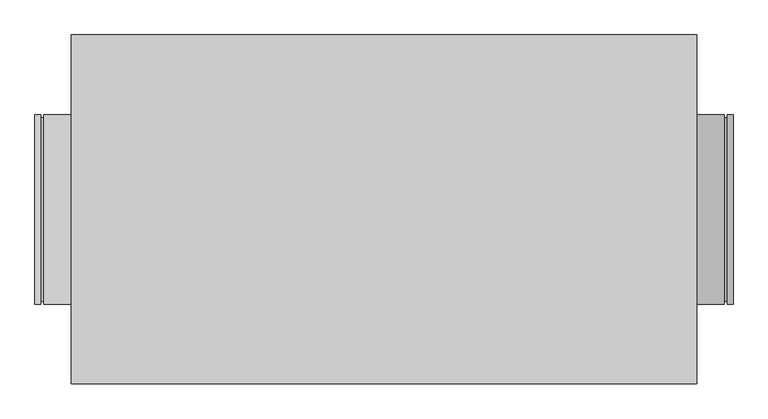
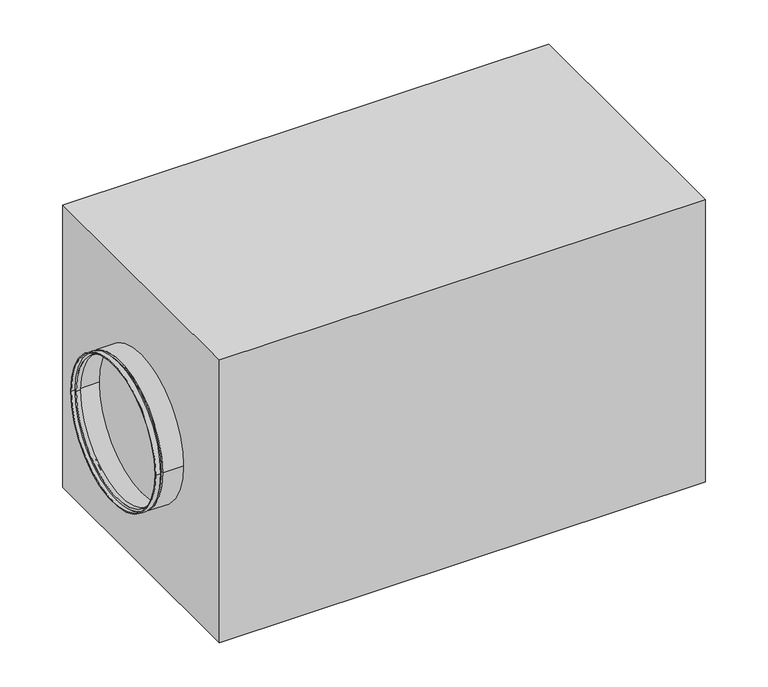
"""IFC4 building model written with IfcOpenShell, lengths in millimetres: proxy geometry."""

from ifc_helpers import new_model, si_unit, frame, origin, origin_with_axes, place, context, project, spatial, polyline, circle_curve, outline, extrude, source, transform, mapped, element, save
from ifc_brep_helpers import plane_surface, cylinder_surface, revolved_surface, advanced_brep


def mechanical_equipment_c33f225d(model_context):
    return source(origin(), model_context, "Body", "SolidModel", [
        advanced_brep(
        [(-570.0, 157.5, 320.0), (-570.0, -157.5, 320.0), (-580.0, -157.5, 320.0), (-580.0, 157.5, 320.0), (-570.0, 152.5, 320.0), (-570.0, -152.5, 320.0), (-565.0, 152.5, 320.0), (-565.0, -152.5, 320.0), (-565.0, 157.5, 320.0), (-565.0, -157.5, 320.0), (-520.0, 157.5, 320.0), (-520.0, -157.5, 320.0), (-520.0, 155.5, 320.0), (-520.0, -155.5, 320.0), (-563.0, 155.5, 320.0), (-563.0, -155.5, 320.0), (-563.0, 150.5, 320.0), (-563.0, -150.5, 320.0), (-572.0, 150.5, 320.0), (-572.0, -150.5, 320.0), (-572.0, 155.5, 320.0), (-572.0, -155.5, 320.0), (-580.0, 155.5, 320.0), (-580.0, -155.5, 320.0)],
        [
            (0, 1, circle_curve(frame((-570.0, 0.0, 320.0), z_axis=(-1.0, 0.0, 0.0), x_axis=(0.0, -1.0000000000000009, 0.0)), 157.5)),
            (1, 2),
            (2, 3, circle_curve(frame((-580.0, 0.0, 320.0), z_axis=(1.0, 0.0, 0.0), x_axis=(0.0, -1.0000000000000009, 0.0)), 157.5)),
            (3, 0),
            (1, 0, circle_curve(frame((-570.0, 0.0, 320.0), z_axis=(-1.0, 0.0, 0.0), x_axis=(0.0, -1.0000000000000009, 0.0)), 157.5)),
            (3, 2, circle_curve(frame((-580.0, 0.0, 320.0), z_axis=(1.0, 0.0, 0.0), x_axis=(0.0, -1.0000000000000009, 0.0)), 157.5)),
            (4, 5, circle_curve(frame((-570.0, 0.0, 320.0), z_axis=(-1.0, 0.0, 0.0), x_axis=(0.0, -1.0000000000000009, 0.0)), 152.5)),
            (5, 1),
            (0, 4),
            (5, 4, circle_curve(frame((-570.0, 0.0, 320.0), z_axis=(-1.0, 0.0, 0.0), x_axis=(0.0, -1.0000000000000009, 0.0)), 152.5)),
            (6, 7, circle_curve(frame((-565.0, 0.0, 320.0), z_axis=(-1.0, 0.0, 0.0), x_axis=(0.0, -1.0000000000000009, 0.0)), 152.5)),
            (7, 5),
            (4, 6),
            (7, 6, circle_curve(frame((-565.0, 0.0, 320.0), z_axis=(-1.0, 0.0, 0.0), x_axis=(0.0, -1.0000000000000009, 0.0)), 152.5)),
            (8, 9, circle_curve(frame((-565.0, 0.0, 320.0), z_axis=(-1.0, 0.0, 0.0), x_axis=(0.0, -1.0000000000000009, 0.0)), 157.5)),
            (9, 7),
            (6, 8),
            (9, 8, circle_curve(frame((-565.0, 0.0, 320.0), z_axis=(-1.0, 0.0, 0.0), x_axis=(0.0, -1.0000000000000009, 0.0)), 157.5)),
            (10, 11, circle_curve(frame((-520.0, 0.0, 320.0), z_axis=(-1.0, 0.0, 0.0), x_axis=(0.0, -1.0000000000000009, 0.0)), 157.5)),
            (11, 9),
            (8, 10),
            (11, 10, circle_curve(frame((-520.0, 0.0, 320.0), z_axis=(-1.0, 0.0, 0.0), x_axis=(0.0, -1.0000000000000009, 0.0)), 157.5)),
            (12, 13, circle_curve(frame((-520.0, 0.0, 320.0), z_axis=(-1.0, 0.0, 0.0), x_axis=(0.0, -1.0000000000000009, 0.0)), 155.5)),
            (13, 11),
            (10, 12),
            (13, 12, circle_curve(frame((-520.0, 0.0, 320.0), z_axis=(-1.0, 0.0, 0.0), x_axis=(0.0, -1.0000000000000009, 0.0)), 155.5)),
            (14, 15, circle_curve(frame((-563.0, 0.0, 320.0), z_axis=(-1.0, 0.0, 0.0), x_axis=(0.0, -1.0000000000000009, 0.0)), 155.5)),
            (15, 13),
            (12, 14),
            (15, 14, circle_curve(frame((-563.0, 0.0, 320.0), z_axis=(-1.0, 0.0, 0.0), x_axis=(0.0, -1.0000000000000009, 0.0)), 155.5)),
            (16, 17, circle_curve(frame((-563.0, 0.0, 320.0), z_axis=(-1.0, 0.0, 0.0), x_axis=(0.0, -1.0000000000000009, 0.0)), 150.5)),
            (17, 15),
            (14, 16),
            (17, 16, circle_curve(frame((-563.0, 0.0, 320.0), z_axis=(-1.0, 0.0, 0.0), x_axis=(0.0, -1.0000000000000009, 0.0)), 150.5)),
            (18, 19, circle_curve(frame((-572.0, 0.0, 320.0), z_axis=(-1.0, 0.0, 0.0), x_axis=(0.0, -1.0000000000000009, 0.0)), 150.5)),
            (19, 17),
            (16, 18),
            (19, 18, circle_curve(frame((-572.0, 0.0, 320.0), z_axis=(-1.0, 0.0, 0.0), x_axis=(0.0, -1.0000000000000009, 0.0)), 150.5)),
            (20, 21, circle_curve(frame((-572.0, 0.0, 320.0), z_axis=(-1.0, 0.0, 0.0), x_axis=(0.0, -1.0000000000000009, 0.0)), 155.5)),
            (21, 19),
            (18, 20),
            (21, 20, circle_curve(frame((-572.0, 0.0, 320.0), z_axis=(-1.0, 0.0, 0.0), x_axis=(0.0, -1.0000000000000009, 0.0)), 155.5)),
            (22, 23, circle_curve(frame((-580.0, 0.0, 320.0), z_axis=(-1.0, 0.0, 0.0), x_axis=(0.0, -1.0000000000000009, 0.0)), 155.5)),
            (23, 21),
            (20, 22),
            (23, 22, circle_curve(frame((-580.0, 0.0, 320.0), z_axis=(-1.0, 0.0, 0.0), x_axis=(0.0, -1.0000000000000009, 0.0)), 155.5)),
            (2, 23),
            (22, 3),
        ],
        [
            cylinder_surface(frame((-2115.0440172, 0.0, 320.0), z_axis=(1.0000000000000004, 0.0, 0.0), x_axis=(0.0, -1.0000000000000009, 0.0)), 157.5),
            plane_surface(frame((-570.0, 0.0, 320.0), z_axis=(1.0, 0.0, 0.0), x_axis=(0.0, -1.0, 0.0))),
            cylinder_surface(frame((-2115.0440172, 0.0, 320.0), z_axis=(1.0000000000000004, 0.0, 0.0), x_axis=(0.0, -1.0000000000000009, 0.0)), 152.5),
            plane_surface(frame((-565.0, 0.0, 320.0), z_axis=(-1.0, 0.0, 0.0), x_axis=(0.0, -1.0, 0.0))),
            plane_surface(frame((-520.0, 0.0, 320.0), z_axis=(1.0, 0.0, 0.0), x_axis=(0.0, -1.0, 0.0))),
            revolved_surface(polyline([(-519.9999999999986, -155.50000000000014, 320.0), (-562.9999999999986, -155.50000000000014, 320.0)]), (-2115.0440172, 0.0, 320.0), (1.0000000000000004, 0.0, 0.0)),
            plane_surface(frame((-563.0, 0.0, 320.0), z_axis=(1.0, 0.0, 0.0), x_axis=(0.0, -1.0, 0.0))),
            revolved_surface(polyline([(-562.9999999999986, -150.50000000000014, 320.0), (-571.9999999999986, -150.50000000000014, 320.0)]), (-2115.0440172, 0.0, 320.0), (1.0000000000000004, 0.0, 0.0)),
            plane_surface(frame((-572.0, 0.0, 320.0), z_axis=(-1.0, 0.0, 0.0), x_axis=(0.0, -1.0, 0.0))),
            revolved_surface(polyline([(-571.9999999999986, -155.50000000000014, 320.0), (-579.9999999999986, -155.50000000000014, 320.0)]), (-2115.0440172, 0.0, 320.0), (1.0000000000000004, 0.0, 0.0)),
            plane_surface(frame((-580.0, 0.0, 320.0), z_axis=(-1.0, 0.0, 0.0), x_axis=(0.0, -1.0, 0.0))),
        ],
        [
            (0, [[1, 2, 3, 4]]),
            (0, [[5, -4, 6, -2]]),
            (1, [[7, 8, -1, 9]]),
            (1, [[10, -9, -5, -8]]),
            (2, [[11, 12, -7, 13]]),
            (2, [[14, -13, -10, -12]]),
            (3, [[15, 16, -11, 17]]),
            (3, [[18, -17, -14, -16]]),
            (0, [[19, 20, -15, 21]]),
            (0, [[22, -21, -18, -20]]),
            (4, [[23, 24, -19, 25]]),
            (4, [[26, -25, -22, -24]]),
            (5, [[27, 28, -23, 29]]),
            (5, [[30, -29, -26, -28]]),
            (6, [[31, 32, -27, 33]]),
            (6, [[34, -33, -30, -32]]),
            (7, [[35, 36, -31, 37]]),
            (7, [[38, -37, -34, -36]]),
            (8, [[39, 40, -35, 41]]),
            (8, [[42, -41, -38, -40]]),
            (9, [[43, 44, -39, 45]]),
            (9, [[46, -45, -42, -44]]),
            (10, [[-3, 47, -43, 48]]),
            (10, [[-6, -48, -46, -47]]),
        ],
    ),
        advanced_brep(
        [(570.0, -157.5, 320.0), (570.0, 157.5, 320.0), (580.0, 157.5, 320.0), (580.0, -157.5, 320.0), (570.0, -152.5, 320.0), (570.0, 152.5, 320.0), (565.0, -152.5, 320.0), (565.0, 152.5, 320.0), (565.0, -157.5, 320.0), (565.0, 157.5, 320.0), (520.0, -157.5, 320.0), (520.0, 157.5, 320.0), (520.0, -155.5, 320.0), (520.0, 155.5, 320.0), (563.0, -155.5, 320.0), (563.0, 155.5, 320.0), (563.0, -150.5, 320.0), (563.0, 150.5, 320.0), (572.0, -150.5, 320.0), (572.0, 150.5, 320.0), (572.0, -155.5, 320.0), (572.0, 155.5, 320.0), (580.0, -155.5, 320.0), (580.0, 155.5, 320.0)],
        [
            (0, 1, circle_curve(frame((570.0, 0.0, 320.0), z_axis=(1.0, 0.0, 0.0), x_axis=(0.0, 1.0, 0.0)), 157.5)),
            (1, 2),
            (2, 3, circle_curve(frame((580.0, 0.0, 320.0), z_axis=(-1.0, 0.0, 0.0), x_axis=(0.0, 1.0, 0.0)), 157.5)),
            (3, 0),
            (1, 0, circle_curve(frame((570.0, 0.0, 320.0), z_axis=(1.0, 0.0, 0.0), x_axis=(0.0, 1.0, 0.0)), 157.5)),
            (3, 2, circle_curve(frame((580.0, 0.0, 320.0), z_axis=(-1.0, 0.0, 0.0), x_axis=(0.0, 1.0, 0.0)), 157.5)),
            (4, 5, circle_curve(frame((570.0, 0.0, 320.0), z_axis=(1.0, 0.0, 0.0), x_axis=(0.0, 1.0, 0.0)), 152.5)),
            (5, 1),
            (0, 4),
            (5, 4, circle_curve(frame((570.0, 0.0, 320.0), z_axis=(1.0, 0.0, 0.0), x_axis=(0.0, 1.0, 0.0)), 152.5)),
            (6, 7, circle_curve(frame((565.0, 0.0, 320.0), z_axis=(1.0, 0.0, 0.0), x_axis=(0.0, 1.0, 0.0)), 152.5)),
            (7, 5),
            (4, 6),
            (7, 6, circle_curve(frame((565.0, 0.0, 320.0), z_axis=(1.0, 0.0, 0.0), x_axis=(0.0, 1.0, 0.0)), 152.5)),
            (8, 9, circle_curve(frame((565.0, 0.0, 320.0), z_axis=(1.0, 0.0, 0.0), x_axis=(0.0, 1.0, 0.0)), 157.5)),
            (9, 7),
            (6, 8),
            (9, 8, circle_curve(frame((565.0, 0.0, 320.0), z_axis=(1.0, 0.0, 0.0), x_axis=(0.0, 1.0, 0.0)), 157.5)),
            (10, 11, circle_curve(frame((520.0, 0.0, 320.0), z_axis=(1.0, 0.0, 0.0), x_axis=(0.0, 1.0, 0.0)), 157.5)),
            (11, 9),
            (8, 10),
            (11, 10, circle_curve(frame((520.0, 0.0, 320.0), z_axis=(1.0, 0.0, 0.0), x_axis=(0.0, 1.0, 0.0)), 157.5)),
            (12, 13, circle_curve(frame((520.0, 0.0, 320.0), z_axis=(1.0, 0.0, 0.0), x_axis=(0.0, 1.0, 0.0)), 155.5)),
            (13, 11),
            (10, 12),
            (13, 12, circle_curve(frame((520.0, 0.0, 320.0), z_axis=(1.0, 0.0, 0.0), x_axis=(0.0, 1.0, 0.0)), 155.5)),
            (14, 15, circle_curve(frame((563.0, 0.0, 320.0), z_axis=(1.0, 0.0, 0.0), x_axis=(0.0, 1.0, 0.0)), 155.5)),
            (15, 13),
            (12, 14),
            (15, 14, circle_curve(frame((563.0, 0.0, 320.0), z_axis=(1.0, 0.0, 0.0), x_axis=(0.0, 1.0, 0.0)), 155.5)),
            (16, 17, circle_curve(frame((563.0, 0.0, 320.0), z_axis=(1.0, 0.0, 0.0), x_axis=(0.0, 1.0, 0.0)), 150.5)),
            (17, 15),
            (14, 16),
            (17, 16, circle_curve(frame((563.0, 0.0, 320.0), z_axis=(1.0, 0.0, 0.0), x_axis=(0.0, 1.0, 0.0)), 150.5)),
            (18, 19, circle_curve(frame((572.0, 0.0, 320.0), z_axis=(1.0, 0.0, 0.0), x_axis=(0.0, 1.0, 0.0)), 150.5)),
            (19, 17),
            (16, 18),
            (19, 18, circle_curve(frame((572.0, 0.0, 320.0), z_axis=(1.0, 0.0, 0.0), x_axis=(0.0, 1.0, 0.0)), 150.5)),
            (20, 21, circle_curve(frame((572.0, 0.0, 320.0), z_axis=(1.0, 0.0, 0.0), x_axis=(0.0, 1.0, 0.0)), 155.5)),
            (21, 19),
            (18, 20),
            (21, 20, circle_curve(frame((572.0, 0.0, 320.0), z_axis=(1.0, 0.0, 0.0), x_axis=(0.0, 1.0, 0.0)), 155.5)),
            (22, 23, circle_curve(frame((580.0, 0.0, 320.0), z_axis=(1.0, 0.0, 0.0), x_axis=(0.0, 1.0, 0.0)), 155.5)),
            (23, 21),
            (20, 22),
            (23, 22, circle_curve(frame((580.0, 0.0, 320.0), z_axis=(1.0, 0.0, 0.0), x_axis=(0.0, 1.0, 0.0)), 155.5)),
            (2, 23),
            (22, 3),
        ],
        [
            cylinder_surface(frame((2115.0440172, 0.0, 320.0), z_axis=(-1.0, 0.0, 0.0), x_axis=(0.0, 1.0, 0.0)), 157.5),
            plane_surface(frame((570.0, 0.0, 320.0), z_axis=(-1.0, 0.0, 0.0), x_axis=(0.0, 1.0, 0.0))),
            cylinder_surface(frame((2115.0440172, 0.0, 320.0), z_axis=(-1.0, 0.0, 0.0), x_axis=(0.0, 1.0, 0.0)), 152.5),
            plane_surface(frame((565.0, 0.0, 320.0), z_axis=(1.0, 0.0, 0.0), x_axis=(0.0, 1.0, 0.0))),
            plane_surface(frame((520.0, 0.0, 320.0), z_axis=(-1.0, 0.0, 0.0), x_axis=(0.0, 1.0, 0.0))),
            revolved_surface(polyline([(520.0, 155.5, 320.0), (563.0, 155.5, 320.0)]), (2115.0440172, 0.0, 320.0), (-1.0, 0.0, 0.0)),
            plane_surface(frame((563.0, 0.0, 320.0), z_axis=(-1.0, 0.0, 0.0), x_axis=(0.0, 1.0, 0.0))),
            revolved_surface(polyline([(563.0, 150.5, 320.0), (572.0, 150.5, 320.0)]), (2115.0440172, 0.0, 320.0), (-1.0, 0.0, 0.0)),
            plane_surface(frame((572.0, 0.0, 320.0), z_axis=(1.0, 0.0, 0.0), x_axis=(0.0, 1.0, 0.0))),
            revolved_surface(polyline([(572.0, 155.5, 320.0), (580.0, 155.5, 320.0)]), (2115.0440172, 0.0, 320.0), (-1.0, 0.0, 0.0)),
            plane_surface(frame((580.0, 0.0, 320.0), z_axis=(1.0, 0.0, 0.0), x_axis=(0.0, 1.0, 0.0))),
        ],
        [
            (0, [[1, 2, 3, 4]]),
            (0, [[5, -4, 6, -2]]),
            (1, [[7, 8, -1, 9]]),
            (1, [[10, -9, -5, -8]]),
            (2, [[11, 12, -7, 13]]),
            (2, [[14, -13, -10, -12]]),
            (3, [[15, 16, -11, 17]]),
            (3, [[18, -17, -14, -16]]),
            (0, [[19, 20, -15, 21]]),
            (0, [[22, -21, -18, -20]]),
            (4, [[23, 24, -19, 25]]),
            (4, [[26, -25, -22, -24]]),
            (5, [[27, 28, -23, 29]]),
            (5, [[30, -29, -26, -28]]),
            (6, [[31, 32, -27, 33]]),
            (6, [[34, -33, -30, -32]]),
            (7, [[35, 36, -31, 37]]),
            (7, [[38, -37, -34, -36]]),
            (8, [[39, 40, -35, 41]]),
            (8, [[42, -41, -38, -40]]),
            (9, [[43, 44, -39, 45]]),
            (9, [[46, -45, -42, -44]]),
            (10, [[-3, 47, -43, 48]]),
            (10, [[-6, -48, -46, -47]]),
        ],
    ),
        extrude(outline(polyline([(-520.0, -290.0), (-520.0, 290.0), (520.0, 290.0), (520.0, -290.0), (-520.0, -290.0)])), origin_with_axes(), (0.0, 0.0, 1.0), 640.0),
    ])


if __name__ == "__main__":
    model = new_model("IFC4")
    model_context = context("Model", 3, world=origin())
    ifc_project = project(units=[si_unit("LENGTHUNIT", "METRE", prefix="MILLI")], contexts=[model_context])
    site = spatial("IfcSite", under=ifc_project)
    building = spatial("IfcBuilding", under=site)
    placement = place(None, origin())
    mechanical_equipment_shape = mechanical_equipment_c33f225d(model_context)
    element("IfcBuildingElementProxy", 1, Name="Mechanical Equipment", at=placement, inside=building, context=model_context, shape_type="MappedRepresentation", body=[
        mapped(mechanical_equipment_shape, transform((0.0, 0.0, 0.0), x_axis=(1.0, 0.0, 0.0), y_axis=(0.0, 1.0, 0.0), z_axis=(0.0, 0.0, 1.0))),
    ])
    save(model, "model.ifc")
